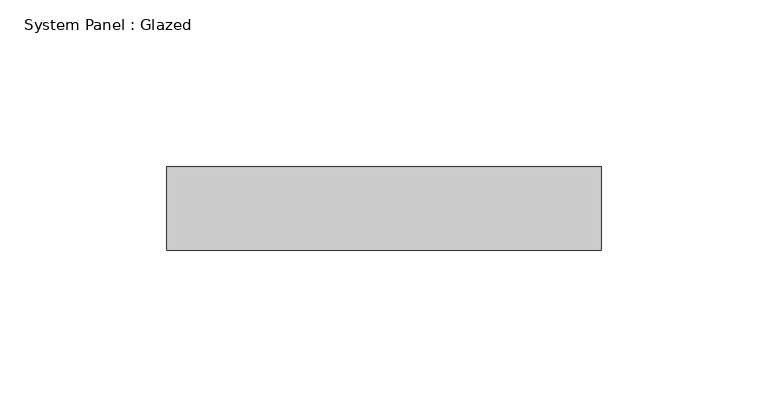
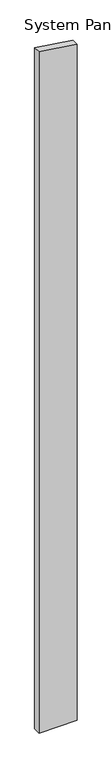
"""IFC4 building model written with IfcOpenShell, lengths in millimetres: plate geometry, System Panel : Glazed."""

from ifc_helpers import new_model, si_unit, frame, origin, place, context, project, spatial, polyline, outline, extrude, source, transform, mapped, element, save


def system_panel_glazed_0a2d4c29(model_context):
    return source(origin(), model_context, "Body", "SweptSolid", [
        extrude(outline(polyline([(0.0, -65.0), (0.0, 65.0), (2438.7701739, 65.0), (2457.9948089, -65.0), (0.0, -65.0)])), frame((0.0, 24.5, 0.0), z_axis=(0.0, 1.0, 0.0), x_axis=(0.0, 0.0, 1.0)), (0.0, 0.0, 1.0), 25.0),
    ])


if __name__ == "__main__":
    model = new_model("IFC4")
    model_context = context("Model", 3, world=origin())
    ifc_project = project(units=[si_unit("LENGTHUNIT", "METRE", prefix="MILLI")], contexts=[model_context])
    site = spatial("IfcSite", under=ifc_project)
    building = spatial("IfcBuilding", under=site)
    placement = place(None, origin())
    system_panel_glazed_shape = system_panel_glazed_0a2d4c29(model_context)
    element("IfcPlate", 1, ObjectType="System Panel : Glazed", at=placement, inside=building, context=model_context, shape_type="MappedRepresentation", body=[
        mapped(system_panel_glazed_shape, transform((0.0, 0.0, 0.0), x_axis=(1.0, 0.0, 0.0), y_axis=(0.0, 1.0, 0.0), z_axis=(0.0, 0.0, 1.0))),
    ])
    save(model, "model.ifc")
